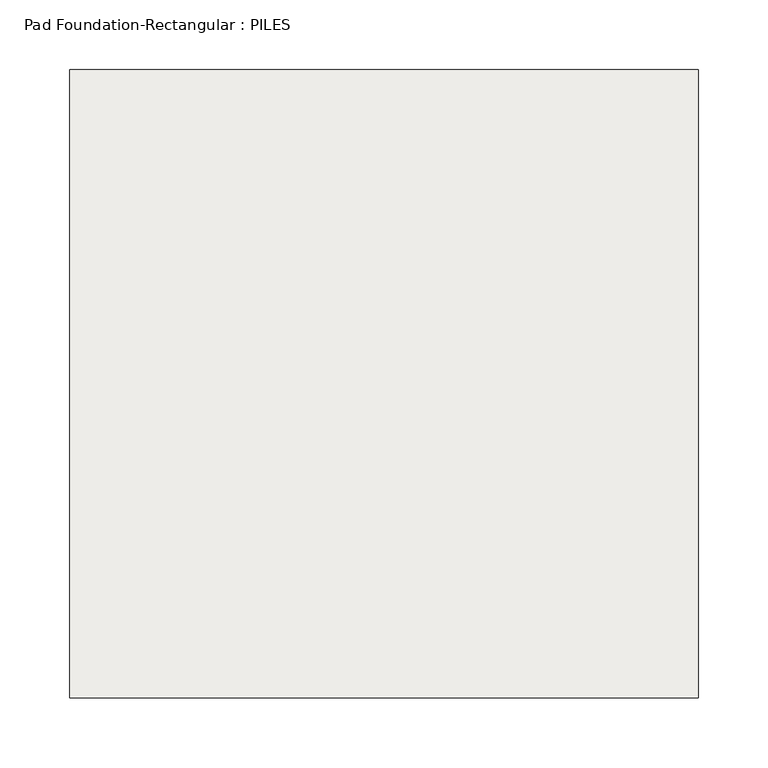
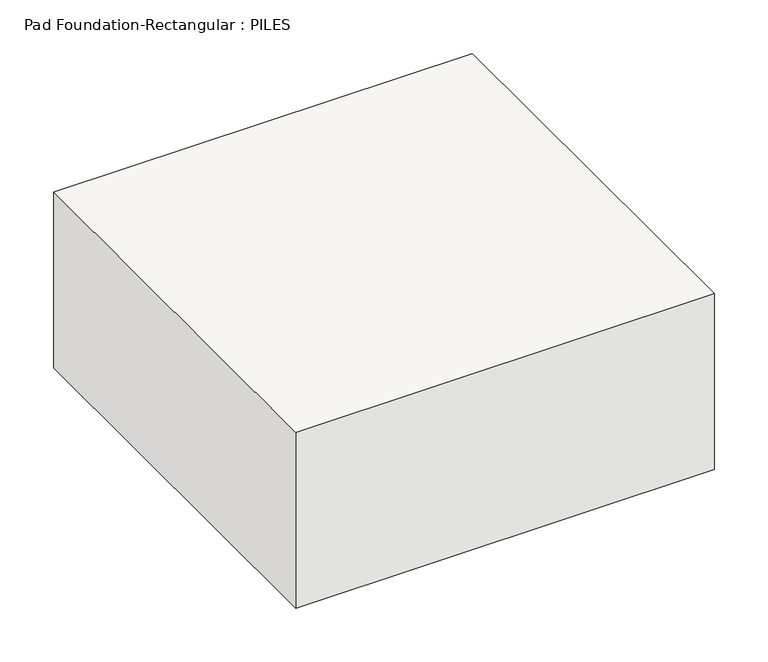
"""IFC4 building model written with IfcOpenShell, lengths in millimetres: slab geometry, Pad Foundation-Rectangular : PILES."""

from ifc_helpers import new_model, si_unit, frame, origin, place, context, project, spatial, polyline, outline, extrude, source, transform, mapped, element, save


def pad_foundation_rectangular_piles_1816f33c(model_context):
    return source(origin(), model_context, "Body", "SweptSolid", [
        extrude(outline(polyline([(225.0, 225.0), (225.0, -225.0), (-225.0, -225.0), (-225.0, 225.0), (225.0, 225.0)])), frame((0.0, 0.0, -200.0), z_axis=(0.0, 0.0, 1.0), x_axis=(1.0, 0.0, 0.0)), (0.0, 0.0, 1.0), 200.0),
    ])


if __name__ == "__main__":
    model = new_model("IFC4")
    model_context = context("Model", 3, world=origin())
    ifc_project = project(units=[si_unit("LENGTHUNIT", "METRE", prefix="MILLI")], contexts=[model_context])
    site = spatial("IfcSite", under=ifc_project)
    building = spatial("IfcBuilding", under=site)
    placement = place(None, origin())
    pad_foundation_rectangular_piles_shape = pad_foundation_rectangular_piles_1816f33c(model_context)
    element("IfcSlab", 1, ObjectType="Pad Foundation-Rectangular : PILES", at=placement, inside=building, context=model_context, shape_type="MappedRepresentation", body=[
        mapped(pad_foundation_rectangular_piles_shape, transform((0.0, 0.0, 0.0), x_axis=(1.0, 0.0, 0.0), y_axis=(0.0, 1.0, 0.0), z_axis=(0.0, 0.0, 1.0))),
    ])
    save(model, "model.ifc")
